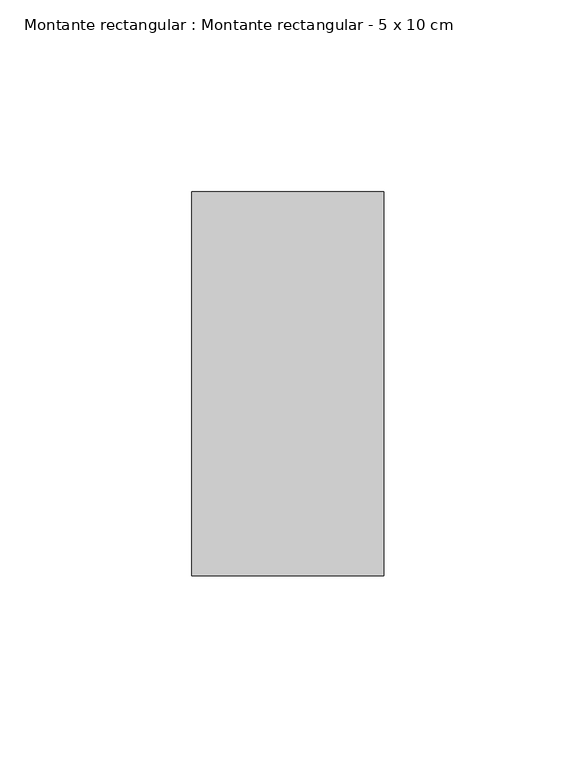
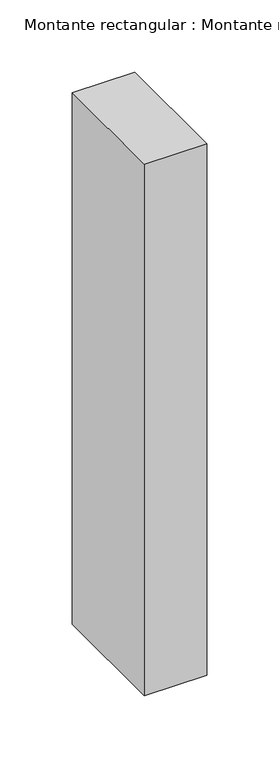
"""IFC4 building model written with IfcOpenShell, lengths in millimetres: member geometry, Montante rectangular : Montante rectangular - 5 x 10 cm."""

from ifc_helpers import new_model, si_unit, frame, origin, place, context, project, spatial, polyline, outline, extrude, source, transform, mapped, element, save


def montante_rectangular_montante_rectangular_5_x_10_cm_a702fbf6(model_context):
    return source(origin(), model_context, "Body", "SweptSolid", [
        extrude(outline(polyline([(0.0, 50.0), (0.0, -50.0), (-50.0, -50.0), (-50.0, 50.0), (0.0, 50.0)])), frame((0.0, 0.0, -450.0), z_axis=(0.0, 0.0, 1.0), x_axis=(1.0, 0.0, 0.0)), (0.0, 0.0, 1.0), 450.0),
    ])


if __name__ == "__main__":
    model = new_model("IFC4")
    model_context = context("Model", 3, world=origin())
    ifc_project = project(units=[si_unit("LENGTHUNIT", "METRE", prefix="MILLI")], contexts=[model_context])
    site = spatial("IfcSite", under=ifc_project)
    building = spatial("IfcBuilding", under=site)
    placement = place(None, origin())
    montante_rectangular_montante_rectangular_5_x_10_cm_shape = montante_rectangular_montante_rectangular_5_x_10_cm_a702fbf6(model_context)
    element("IfcMember", 1, ObjectType="Montante rectangular : Montante rectangular - 5 x 10 cm", at=placement, inside=building, context=model_context, shape_type="MappedRepresentation", body=[
        mapped(montante_rectangular_montante_rectangular_5_x_10_cm_shape, transform((0.0, 0.0, 0.0), x_axis=(1.0, 0.0, 0.0), y_axis=(0.0, 1.0, 0.0), z_axis=(0.0, 0.0, 1.0))),
    ])
    save(model, "model.ifc")
